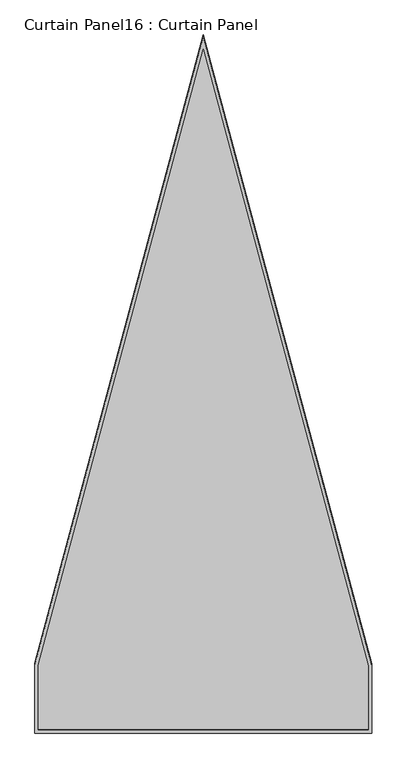
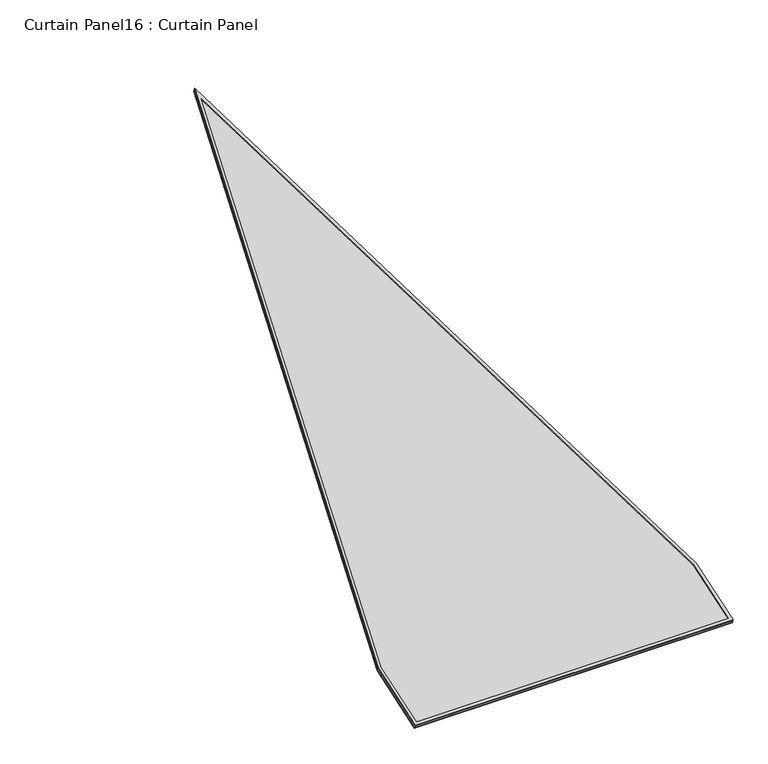
"""IFC4 building model written with IfcOpenShell, lengths in millimetres: plate geometry, Curtain Panel16 : Curtain Panel."""

from ifc_helpers import new_model, si_unit, frame, origin, place, context, project, spatial, polyline, outline, extrude, source, transform, mapped, element, save


def curtain_panel16_curtain_panel_989cdf20(model_context):
    return source(origin(), model_context, "Body", "SweptSolid", [
        extrude(outline(polyline([(848.1950317, -3696.6124763), (0.0, -359.9712224), (0.0, 0.0), (1695.618073, 0.0), (1695.618073, -363.0080891), (848.1950317, -3696.6124763)]), holes=[polyline([(1679.1519853, -16.4660876), (16.4660877, -16.4660876), (16.4660877, -357.9110921), (848.1950317, -3629.7778244), (1679.1519853, -360.9479588), (1679.1519853, -16.4660876)])]), frame((13134.8479002, -2224.7493779, 1929.7621028), z_axis=(0.0, -0.3161458239738057, 0.9487106081329141), x_axis=(-1.0, 0.0, 0.0)), (0.0, 0.0, 1.0), 4.8358166),
        extrude(outline(polyline([(848.3917419, -3697.607619), (0.0, -360.1925438), (0.0, 0.0), (1696.0114934, 0.0), (1696.0114934, -363.2294105), (848.3917419, -3697.607619)]), holes=[polyline([(1685.6986955, -10.3127979), (10.3127979, -10.3127979), (10.3127979, -358.9022733), (848.3917419, -3655.7487227), (1685.6986955, -361.93914), (1685.6986955, -10.3127979)])]), frame((13135.0446104, -2219.3645805, 1912.9808447), z_axis=(0.0, -0.3161458239738058, 0.948710608132914), x_axis=(-1.0, 0.0, 0.0)), (0.0, 0.0, 1.0), 4.8417847),
        extrude(outline(polyline([(12.7, 0.0), (1708.318073, 0.0), (1708.318073, -363.2047994), (860.8950317, -3696.8091865), (12.7, -360.1679327), (12.7, 0.0)])), frame((13147.5479002, -2220.8952905, 1917.5742972), z_axis=(0.0, -0.3161458239738058, 0.948710608132914), x_axis=(-1.0, 0.0, 0.0)), (0.0, 0.0, 1.0), 12.7811541),
    ])


if __name__ == "__main__":
    model = new_model("IFC4")
    model_context = context("Model", 3, world=origin())
    ifc_project = project(units=[si_unit("LENGTHUNIT", "METRE", prefix="MILLI")], contexts=[model_context])
    site = spatial("IfcSite", under=ifc_project)
    building = spatial("IfcBuilding", under=site)
    placement = place(None, origin())
    curtain_panel16_curtain_panel_shape = curtain_panel16_curtain_panel_989cdf20(model_context)
    element("IfcPlate", 1, ObjectType="Curtain Panel16 : Curtain Panel", at=placement, inside=building, context=model_context, shape_type="MappedRepresentation", body=[
        mapped(curtain_panel16_curtain_panel_shape, transform((0.0, 0.0, 0.0), x_axis=(1.0, 0.0, 0.0), y_axis=(0.0, 1.0, 0.0), z_axis=(0.0, 0.0, 1.0))),
    ])
    save(model, "model.ifc")
